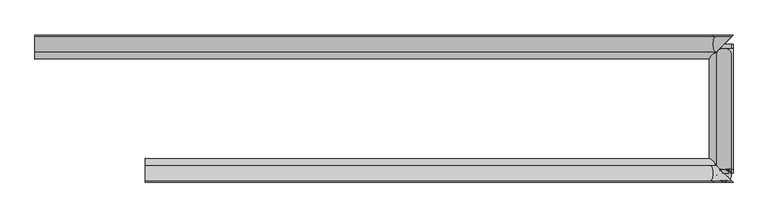
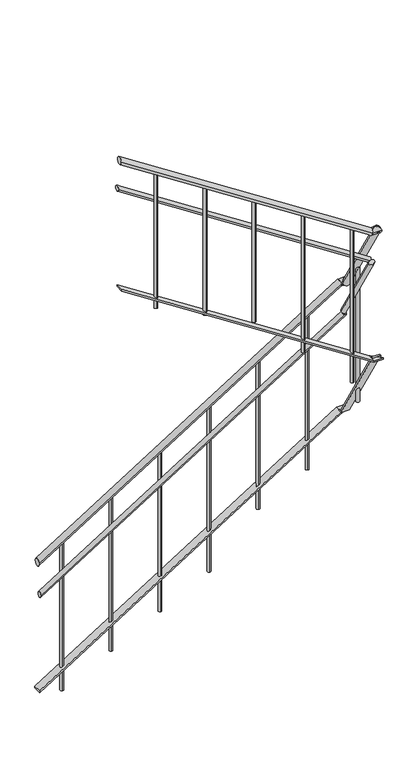
"""IFC4 building model written with IfcOpenShell, lengths in millimetres: railing geometry."""

from ifc_helpers import new_model, si_unit, frame, origin, place, context, project, spatial, circle_curve, ellipse_curve, faceted_brep, source, transform, mapped, element, save
from ifc_brep_helpers import plane_surface, cylinder_surface, advanced_brep


def railing_e3d735cd(model_context):
    return source(origin(), model_context, "Body", "SolidModel", [
        advanced_brep(
        [(2076.2766289, -259.2478389, 1026.3975735), (2076.2766289, -299.2478389, 1026.3975735), (3924.5597864, -259.2478389, 2184.6184824), (3924.5597864, -299.2478389, 2184.6184824), (3968.8242865, -259.2478389, 2184.6184824), (3928.8242865, -299.2478389, 2184.6184824)],
        [
            (0, 1, ellipse_curve(frame((2076.2766289, -279.2478389, 1026.3975735), z_axis=(-1.0, 0.0, 0.0), x_axis=(0.0, 0.0, -1.0)), 23.6024265, 20.0)),
            (1, 0, ellipse_curve(frame((2076.2766289, -279.2478389, 1026.3975735), z_axis=(-1.0, 0.0, 0.0), x_axis=(0.0, 0.0, -1.0)), 23.6024265, 20.0)),
            (0, 2),
            (2, 3, ellipse_curve(frame((3924.5597864, -279.2478389, 2184.6184824), z_axis=(-0.9610854551342009, 0.0, -0.2762512405935697), x_axis=(0.27625124059357054, 0.0, -0.9610854551342004)), 20.8098041, 20.0)),
            (3, 1),
            (3, 2, ellipse_curve(frame((3924.5597864, -279.2478389, 2184.6184824), z_axis=(-0.9610854551342009, 0.0, -0.2762512405935697), x_axis=(0.27625124059357054, 0.0, -0.9610854551342004)), 20.8098041, 20.0)),
            (4, 5, ellipse_curve(frame((3948.8242865, -279.2478389, 2184.6184824), z_axis=(0.7071067811865451, -0.7071067811865499, 0.0), x_axis=(-0.7071067811865498, -0.7071067811865451, 0.0)), 28.2842712, 20.0)),
            (5, 4, ellipse_curve(frame((3948.8242865, -279.2478389, 2184.6184824), z_axis=(0.7071067811865451, -0.7071067811865499, 0.0), x_axis=(-0.7071067811865498, -0.7071067811865451, 0.0)), 28.2842712, 20.0)),
            (2, 4),
            (5, 3),
        ],
        [
            plane_surface(frame((2076.2766289, -279.2478389, 1050.0), z_axis=(-1.0, 0.0, 0.0), x_axis=(0.0, 1.0, 0.0))),
            cylinder_surface(frame((2086.8966709, -279.2478389, 1033.0525899), z_axis=(-0.8473705041410273, 0.0, -0.531002098594517), x_axis=(0.0, -1.0, 0.0)), 20.0),
            plane_surface(frame((3948.8242865, -279.2478389, 2204.6184824), z_axis=(0.7071067811865451, -0.7071067811865499, 0.0), x_axis=(0.7071067811865499, 0.7071067811865451, 0.0))),
            cylinder_surface(frame((3918.8110522, -279.2478389, 2184.6184824), z_axis=(-1.0, 0.0, 0.0), x_axis=(0.0, -1.0, 0.0)), 20.0),
        ],
        [
            (0, [[1, 2]]),
            (1, [[-1, 3, 4, 5]]),
            (1, [[-2, -5, 6, -3]]),
            (2, [[7, 8]]),
            (3, [[-4, 9, -8, 10]]),
            (3, [[-6, -10, -7, -9]]),
        ],
    ),
        advanced_brep(
        [(3968.8242865, -279.2478389, 2184.6184824), (3928.8242865, -279.2478389, 2184.6184824), (3968.8242865, -290.5808302, 2184.6184824), (3928.8242865, -290.5808302, 2184.6184824)],
        [
            (0, 1, circle_curve(frame((3948.8242865, -279.2478389, 2184.6184824), z_axis=(0.0, 1.0, 0.0), x_axis=(-1.0, 0.0, 0.0)), 20.0)),
            (1, 0, circle_curve(frame((3948.8242865, -279.2478389, 2184.6184824), z_axis=(0.0, 1.0, 0.0), x_axis=(-1.0, 0.0, 0.0)), 20.0)),
            (2, 3, circle_curve(frame((3948.8242865, -290.5808302, 2184.6184824), z_axis=(0.0, -1.0, 0.0), x_axis=(-1.0, 0.0, 0.0)), 20.0)),
            (3, 2, circle_curve(frame((3948.8242865, -290.5808302, 2184.6184824), z_axis=(0.0, -1.0, 0.0), x_axis=(-1.0, 0.0, 0.0)), 20.0)),
            (0, 2),
            (3, 1),
        ],
        [
            plane_surface(frame((3908.8242865, -279.2478389, 2204.6184824), z_axis=(0.0, 1.0, 0.0), x_axis=(0.0, 0.0, -1.0))),
            plane_surface(frame((3908.8242865, -290.5808302, 2204.6184824), z_axis=(0.0, -1.0, 0.0), x_axis=(0.0, 0.0, -1.0))),
            cylinder_surface(frame((3948.8242865, -279.2478389, 2184.6184824), z_axis=(0.0, 1.0, 0.0), x_axis=(-1.0, 0.0, 0.0)), 20.0),
        ],
        [
            (0, [[1, 2]]),
            (1, [[3, 4]]),
            (2, [[-1, 5, -4, 6]]),
            (2, [[-2, -6, -3, -5]]),
        ],
    ),
        advanced_brep(
        [(3968.8242865, -307.711221, 2194.2961906), (3928.8242865, -307.711221, 2194.2961906), (3968.8242865, -635.735391, 2738.6697011), (3928.8242865, -635.735391, 2738.6697011)],
        [
            (0, 1, circle_curve(frame((3948.8242865, -307.711221, 2194.2961906), z_axis=(0.0, 0.5161145919368401, -0.8565195432620725), x_axis=(-1.0, 0.0, 0.0)), 20.0)),
            (1, 0, circle_curve(frame((3948.8242865, -307.711221, 2194.2961906), z_axis=(0.0, 0.5161145919368401, -0.8565195432620725), x_axis=(-1.0, 0.0, 0.0)), 20.0)),
            (2, 3, circle_curve(frame((3948.8242865, -635.735391, 2738.6697011), z_axis=(0.0, -0.5161145919368401, 0.8565195432620725), x_axis=(-1.0, 0.0, 0.0)), 20.0)),
            (3, 2, circle_curve(frame((3948.8242865, -635.735391, 2738.6697011), z_axis=(0.0, -0.5161145919368401, 0.8565195432620725), x_axis=(-1.0, 0.0, 0.0)), 20.0)),
            (0, 2),
            (3, 1),
        ],
        [
            plane_surface(frame((3948.8242865, -324.8416119, 2183.9738987), z_axis=(0.0, 0.5161145919368404, -0.8565195432620722), x_axis=(1.0, 0.0, 0.0))),
            plane_surface(frame((3948.8242865, -652.8657819, 2728.3474093), z_axis=(0.0, -0.5161145919368378, 0.8565195432620737), x_axis=(1.0, 0.0, 0.0))),
            cylinder_surface(frame((3948.8242865, -307.711221, 2194.2961906), z_axis=(0.0, 0.5161145919368401, -0.8565195432620725), x_axis=(-1.0, 0.0, 0.0)), 20.0),
        ],
        [
            (0, [[1, 2]]),
            (1, [[3, 4]]),
            (2, [[-1, 5, -4, 6]]),
            (2, [[-2, -6, -3, -5]]),
        ],
    ),
        advanced_brep(
        [(3968.8242865, -618.6050002, 2728.991993), (3928.8242865, -618.6050002, 2728.991993), (3968.8242865, -630.0478389, 2728.991993), (3928.8242865, -630.0478389, 2728.991993)],
        [
            (0, 1, circle_curve(frame((3948.8242865, -618.6050002, 2728.991993), z_axis=(0.0, 1.0, 0.0), x_axis=(-1.0, 0.0, 0.0)), 20.0)),
            (1, 0, circle_curve(frame((3948.8242865, -618.6050002, 2728.991993), z_axis=(0.0, 1.0, 0.0), x_axis=(-1.0, 0.0, 0.0)), 20.0)),
            (2, 3, circle_curve(frame((3948.8242865, -630.0478389, 2728.991993), z_axis=(0.0, -1.0, 0.0), x_axis=(-1.0, 0.0, 0.0)), 20.0)),
            (3, 2, circle_curve(frame((3948.8242865, -630.0478389, 2728.991993), z_axis=(0.0, -1.0, 0.0), x_axis=(-1.0, 0.0, 0.0)), 20.0)),
            (0, 2),
            (3, 1),
        ],
        [
            plane_surface(frame((3908.8242865, -618.6050002, 2748.991993), z_axis=(0.0, 1.0, 0.0), x_axis=(0.0, 0.0, -1.0))),
            plane_surface(frame((3908.8242865, -630.0478389, 2748.991993), z_axis=(0.0, -1.0, 0.0), x_axis=(0.0, 0.0, -1.0))),
            cylinder_surface(frame((3948.8242865, -618.6050002, 2728.991993), z_axis=(0.0, 1.0, 0.0), x_axis=(-1.0, 0.0, 0.0)), 20.0),
        ],
        [
            (0, [[1, 2]]),
            (1, [[3, 4]]),
            (2, [[-1, 5, -4, 6]]),
            (2, [[-2, -6, -3, -5]]),
        ],
    ),
        advanced_brep(
        [(3968.8242865, -650.0478389, 2728.991993), (3928.8242865, -610.0478389, 2728.991993), (3913.6287938, -650.0478389, 2728.991993), (3913.6287938, -610.0478389, 2728.991993), (2376.2766289, -650.0478389, 3726.1612255), (2376.2766289, -610.0478389, 3726.1612255)],
        [
            (0, 1, ellipse_curve(frame((3948.8242865, -630.0478389, 2728.991993), z_axis=(0.7071067811865492, 0.7071067811865458, 0.0), x_axis=(0.7071067811865458, -0.7071067811865492, 0.0)), 28.2842712, 20.0)),
            (1, 0, ellipse_curve(frame((3948.8242865, -630.0478389, 2728.991993), z_axis=(0.7071067811865492, 0.7071067811865458, 0.0), x_axis=(0.7071067811865458, -0.7071067811865492, 0.0)), 28.2842712, 20.0)),
            (0, 2),
            (2, 3, ellipse_curve(frame((3913.6287938, -630.0478389, 2728.991993), z_axis=(0.9588976229542695, 0.0, -0.28375226640971823), x_axis=(0.283752266409718, 0.0, 0.9588976229542696)), 20.8572839, 20.0)),
            (3, 1),
            (3, 2, ellipse_curve(frame((3913.6287938, -630.0478389, 2728.991993), z_axis=(0.9588976229542695, 0.0, -0.28375226640971823), x_axis=(0.283752266409718, 0.0, 0.9588976229542696)), 20.8572839, 20.0)),
            (4, 5, ellipse_curve(frame((2376.2766289, -630.0478389, 3726.1612255), z_axis=(-1.0, 0.0, 0.0), x_axis=(0.0, 0.0, -0.9999999999999999)), 23.8387745, 20.0)),
            (5, 4, ellipse_curve(frame((2376.2766289, -630.0478389, 3726.1612255), z_axis=(-1.0, 0.0, 0.0), x_axis=(0.0, 0.0, -0.9999999999999999)), 23.8387745, 20.0)),
            (2, 4),
            (5, 3),
        ],
        [
            plane_surface(frame((3948.8242865, -630.0478389, 2748.991993), z_axis=(0.7071067811865492, 0.7071067811865458, 0.0), x_axis=(0.7071067811865458, -0.7071067811865492, 0.0))),
            cylinder_surface(frame((3948.8242865, -630.0478389, 2728.991993), z_axis=(1.0, 0.0, 0.0), x_axis=(0.0, 1.0, 0.0)), 20.0),
            plane_surface(frame((2376.2766289, -630.0478389, 3750.0), z_axis=(-1.0, 0.0, 0.0), x_axis=(0.0, -1.0, 0.0))),
            cylinder_surface(frame((3908.6635204, -630.0478389, 2732.2126069), z_axis=(0.8389693026146966, 0.0, -0.5441787475363308), x_axis=(0.0, 1.0, 0.0)), 20.0),
        ],
        [
            (0, [[1, 2]]),
            (1, [[-1, 3, 4, 5]]),
            (1, [[-2, -5, 6, -3]]),
            (2, [[7, 8]]),
            (3, [[-4, 9, -8, 10]]),
            (3, [[-6, -10, -7, -9]]),
        ],
    ),
        advanced_brep(
        [(2076.2766289, -289.2478389, 832.2981802), (2076.2766289, -319.2478389, 832.2981802), (3942.6397055, -289.2478389, 2001.8488143), (3933.6212252, -319.2478389, 1996.1974116)],
        [
            (0, 1, ellipse_curve(frame((2076.2766289, -304.2478389, 832.2981802), z_axis=(-1.0, 0.0, 0.0), x_axis=(0.0, 0.0, -1.0)), 17.7018198, 15.0)),
            (1, 0, ellipse_curve(frame((2076.2766289, -304.2478389, 832.2981802), z_axis=(-1.0, 0.0, 0.0), x_axis=(0.0, 0.0, -1.0)), 17.7018198, 15.0)),
            (2, 3, ellipse_curve(frame((3938.1304654, -304.2478389, 1999.0231129), z_axis=(0.4967691954894028, -0.30257110598475423, 0.813431676439991), x_axis=(-0.8114950367519246, -0.4942636399369874, 0.31173588109685524)), 17.5874376, 15.0)),
            (3, 2, ellipse_curve(frame((3938.1304654, -304.2478389, 1999.0231129), z_axis=(0.4967691954894028, -0.30257110598475423, 0.813431676439991), x_axis=(-0.8114950367519246, -0.4942636399369874, 0.31173588109685524)), 17.5874376, 15.0)),
            (0, 2),
            (3, 1),
        ],
        [
            plane_surface(frame((2076.2766289, -304.2478389, 850.0), z_axis=(-1.0, 0.0, 0.0), x_axis=(0.0, 1.0, 0.0))),
            plane_surface(frame((3923.8242865, -304.2478389, 2007.7600101), z_axis=(0.4967691954894028, -0.30257110598475423, 0.813431676439991), x_axis=(0.8678826916195596, 0.1731893104330664, -0.46560186462138164))),
            cylinder_surface(frame((2084.2416604, -304.2478389, 837.2894424), z_axis=(-0.8473705041410273, 0.0, -0.531002098594517), x_axis=(0.0, -1.0, 0.0)), 15.0),
        ],
        [
            (0, [[1, 2]]),
            (1, [[3, 4]]),
            (2, [[-1, 5, -4, 6]]),
            (2, [[-2, -6, -3, -5]]),
        ],
    ),
        advanced_brep(
        [(3938.8242865, -314.0447776, 2014.4948347), (3908.8242865, -323.0632579, 2029.4614811), (3938.8242865, -623.8088674, 2528.5647735), (3908.8242865, -614.9485363, 2513.8605841)],
        [
            (0, 1, ellipse_curve(frame((3923.8242865, -318.5540177, 2021.9781579), z_axis=(-0.4967691954894028, 0.30257110598475423, -0.813431676439991), x_axis=(0.8114950367519248, 0.4942636399369873, -0.31173588109685485)), 17.5874376, 15.0)),
            (1, 0, ellipse_curve(frame((3923.8242865, -318.5540177, 2021.9781579), z_axis=(-0.4967691954894028, 0.30257110598475423, -0.813431676439991), x_axis=(0.8114950367519248, 0.4942636399369873, -0.31173588109685485)), 17.5874376, 15.0)),
            (2, 3, ellipse_curve(frame((3923.8242865, -619.3787018, 2521.2126788), z_axis=(-0.4899472399678326, -0.30140425762717943, 0.8179897160307775), x_axis=(-0.8118971247544675, 0.49946041164010946, -0.30226206513507625)), 17.5196126, 15.0)),
            (3, 2, ellipse_curve(frame((3923.8242865, -619.3787018, 2521.2126788), z_axis=(-0.4899472399678326, -0.30140425762717943, 0.8179897160307775), x_axis=(-0.8118971247544675, 0.49946041164010946, -0.30226206513507625)), 17.5196126, 15.0)),
            (0, 2),
            (3, 1),
        ],
        [
            plane_surface(frame((3923.8242865, -304.2478389, 2027.2996083), z_axis=(-0.4967691954894028, 0.30257110598475423, -0.813431676439991), x_axis=(0.8678826916195596, 0.1731893104330664, -0.46560186462138164))),
            plane_surface(frame((3923.8242865, -605.0478389, 2526.4931646), z_axis=(-0.4899472399678326, -0.30140425762717943, 0.8179897160307775), x_axis=(0.8717520874927133, -0.16939699515227657, 0.45973139547509323))),
            cylinder_surface(frame((3923.8242865, -317.095632, 2019.5578895), z_axis=(0.0, 0.5161145919368401, -0.8565195432620725), x_axis=(-1.0, 0.0, 0.0)), 15.0),
        ],
        [
            (0, [[1, 2]]),
            (1, [[3, 4]]),
            (2, [[-1, 5, -4, 6]]),
            (2, [[-2, -6, -3, -5]]),
        ],
    ),
        advanced_brep(
        [(3913.9235891, -620.0478389, 2534.7604742), (3905.0632581, -590.0478389, 2540.5075305), (2376.2766289, -620.0478389, 3532.1209191), (2376.2766289, -590.0478389, 3532.1209191)],
        [
            (0, 1, ellipse_curve(frame((3909.4934236, -605.0478389, 2537.6340024), z_axis=(0.4899472399678326, 0.30140425762717943, -0.8179897160307775), x_axis=(0.8118971247544671, -0.4994604116401098, 0.302262065135077)), 17.5196126, 15.0)),
            (1, 0, ellipse_curve(frame((3909.4934236, -605.0478389, 2537.6340024), z_axis=(0.4899472399678326, 0.30140425762717943, -0.8179897160307775), x_axis=(0.8118971247544671, -0.4994604116401098, 0.302262065135077)), 17.5196126, 15.0)),
            (2, 3, ellipse_curve(frame((2376.2766289, -605.0478389, 3532.1209191), z_axis=(-1.0, 0.0, 0.0), x_axis=(0.0, 0.0, -0.9999999999999999)), 17.8790809, 15.0)),
            (3, 2, ellipse_curve(frame((2376.2766289, -605.0478389, 3532.1209191), z_axis=(-1.0, 0.0, 0.0), x_axis=(0.0, 0.0, -0.9999999999999999)), 17.8790809, 15.0)),
            (0, 2),
            (3, 1),
        ],
        [
            plane_surface(frame((3923.8242865, -605.0478389, 2546.2176882), z_axis=(0.4899472399678326, 0.30140425762717943, -0.8179897160307775), x_axis=(0.8717520874927133, -0.16939699515227657, 0.45973139547509323))),
            plane_surface(frame((2376.2766289, -605.0478389, 3550.0), z_axis=(-1.0, 0.0, 0.0), x_axis=(0.0, -1.0, 0.0))),
            cylinder_surface(frame((3915.6616053, -605.0478389, 2533.6331487), z_axis=(0.8389693026146966, 0.0, -0.5441787475363308), x_axis=(0.0, 1.0, 0.0)), 15.0),
        ],
        [
            (0, [[1, 2]]),
            (1, [[3, 4]]),
            (2, [[-1, 5, -4, 6]]),
            (2, [[-2, -6, -3, -5]]),
        ],
    ),
        faceted_brep([(2076.2766289, -304.2478389, 210.0), (2076.2766289, -254.2478389, 210.0), (2076.2766289, -254.2478389, 198.1987868), (2076.2766289, -304.2478389, 198.1987868), (3918.8110522, -304.2478389, 1364.6184824), (3918.8110522, -254.2478389, 1364.6184824), (3921.6854193, -254.2478389, 1354.6184824), (3921.6854193, -304.2478389, 1354.6184824), (3923.8242865, -304.2478389, 1364.6184824), (3923.8242865, -304.2478389, 1354.6184824), (3973.8242865, -254.2478389, 1354.6184824), (3973.8242865, -254.2478389, 1364.6184824)], [[[0, 1, 2, 3]], [[1, 0, 4, 5]], [[2, 1, 5, 6]], [[3, 2, 6, 7]], [[0, 3, 7, 4]], [[8, 9, 10, 11]], [[5, 4, 8, 11]], [[6, 5, 11, 10]], [[7, 6, 10, 9]], [[4, 7, 9, 8]]]),
        faceted_brep([(3923.8242865, -279.2478389, 1364.6184824), (3973.8242865, -279.2478389, 1364.6184824), (3973.8242865, -279.2478389, 1354.6184824), (3923.8242865, -279.2478389, 1354.6184824), (3923.8242865, -290.5808302, 1364.6184824), (3973.8242865, -290.5808302, 1364.6184824), (3973.8242865, -296.2302682, 1354.6184824), (3923.8242865, -296.2302682, 1354.6184824), (3923.8242865, -618.6050002, 1908.991993), (3973.8242865, -618.6050002, 1908.991993), (3973.8242865, -624.2544382, 1898.991993), (3923.8242865, -624.2544382, 1898.991993), (3923.8242865, -630.0478389, 1908.991993), (3923.8242865, -630.0478389, 1898.991993), (3973.8242865, -630.0478389, 1898.991993), (3973.8242865, -630.0478389, 1908.991993)], [[[0, 1, 2, 3]], [[1, 0, 4, 5]], [[2, 1, 5, 6]], [[3, 2, 6, 7]], [[0, 3, 7, 4]], [[5, 4, 8, 9]], [[6, 5, 9, 10]], [[7, 6, 10, 11]], [[4, 7, 11, 8]], [[12, 13, 14, 15]], [[9, 8, 12, 15]], [[10, 9, 15, 14]], [[11, 10, 14, 13]], [[8, 11, 13, 12]]]),
        faceted_brep([(3923.8242865, -605.0478389, 1908.991993), (3973.8242865, -655.0478389, 1908.991993), (3973.8242865, -655.0478389, 1898.991993), (3923.8242865, -605.0478389, 1898.991993), (3919.5470954, -605.0478389, 1908.991993), (3919.5470954, -655.0478389, 1908.991993), (3916.5879446, -655.0478389, 1898.991993), (3916.5879446, -605.0478389, 1898.991993), (2376.2766289, -605.0478389, 2910.0), (2376.2766289, -605.0478389, 2898.0806128), (2376.2766289, -655.0478389, 2898.0806128), (2376.2766289, -655.0478389, 2910.0)], [[[0, 1, 2, 3]], [[1, 0, 4, 5]], [[2, 1, 5, 6]], [[3, 2, 6, 7]], [[0, 3, 7, 4]], [[8, 9, 10, 11]], [[5, 4, 8, 11]], [[6, 5, 11, 10]], [[7, 6, 10, 9]], [[4, 7, 9, 8]]]),
        advanced_brep(
        [(2598.8242865, -620.0478389, 3565.6494198), (2598.8242865, -620.0478389, 2700.0), (2598.8242865, -640.0478389, 2700.0), (2598.8242865, -640.0478389, 3565.6494198)],
        [
            (0, 1),
            (1, 2, circle_curve(frame((2598.8242865, -630.0478389, 2700.0), z_axis=(0.0, 0.0, 1.0), x_axis=(0.0, -1.0, 0.0)), 10.0)),
            (2, 3),
            (3, 0, ellipse_curve(frame((2598.8242865, -630.0478389, 3565.6494198), z_axis=(-0.5441787475363307, 0.0, -0.8389693026146968), x_axis=(-0.8389693026146968, 0.0, 0.5441787475363301)), 11.9193872, 10.0)),
            (0, 3, ellipse_curve(frame((2598.8242865, -630.0478389, 3565.6494198), z_axis=(-0.5441787475363307, 0.0, -0.8389693026146968), x_axis=(-0.8389693026146968, 0.0, 0.5441787475363301)), 11.9193872, 10.0)),
            (2, 1, circle_curve(frame((2598.8242865, -630.0478389, 2700.0), z_axis=(0.0, 0.0, 1.0), x_axis=(0.0, -1.0, 0.0)), 10.0)),
        ],
        [
            cylinder_surface(frame((2598.8242865, -630.0478389, 2600.0), z_axis=(0.0, 0.0, 1.0), x_axis=(0.0, -1.0, 0.0)), 10.0),
            plane_surface(frame((2578.8242865, -650.0478389, 3578.6219742), z_axis=(0.5441787475363307, 0.0, 0.8389693026146968), x_axis=(0.0, 1.0, 0.0))),
            plane_surface(frame((2618.8242865, -650.0478389, 2700.0), z_axis=(0.0, 0.0, -1.0), x_axis=(0.0, 1.0, 0.0))),
        ],
        [
            (0, [[1, 2, 3, 4]]),
            (0, [[-1, 5, -3, 6]]),
            (1, [[-4, -5]]),
            (2, [[-2, -6]]),
        ],
    ),
        advanced_brep(
        [(2898.8242865, -620.0478389, 3371.0611032), (2898.8242865, -620.0478389, 2550.0), (2898.8242865, -640.0478389, 2550.0), (2898.8242865, -640.0478389, 3371.0611032)],
        [
            (0, 1),
            (1, 2, circle_curve(frame((2898.8242865, -630.0478389, 2550.0), z_axis=(0.0, 0.0, 1.0), x_axis=(0.0, -1.0, 0.0)), 10.0)),
            (2, 3),
            (3, 0, ellipse_curve(frame((2898.8242865, -630.0478389, 3371.0611032), z_axis=(-0.5441787475363307, 0.0, -0.8389693026146968), x_axis=(-0.8389693026146968, 0.0, 0.5441787475363301)), 11.9193872, 10.0)),
            (0, 3, ellipse_curve(frame((2898.8242865, -630.0478389, 3371.0611032), z_axis=(-0.5441787475363307, 0.0, -0.8389693026146968), x_axis=(-0.8389693026146968, 0.0, 0.5441787475363301)), 11.9193872, 10.0)),
            (2, 1, circle_curve(frame((2898.8242865, -630.0478389, 2550.0), z_axis=(0.0, 0.0, 1.0), x_axis=(0.0, -1.0, 0.0)), 10.0)),
        ],
        [
            cylinder_surface(frame((2898.8242865, -630.0478389, 2450.0), z_axis=(0.0, 0.0, 1.0), x_axis=(0.0, -1.0, 0.0)), 10.0),
            plane_surface(frame((2878.8242865, -650.0478389, 3384.0336576), z_axis=(0.5441787475363307, 0.0, 0.8389693026146968), x_axis=(0.0, 1.0, 0.0))),
            plane_surface(frame((2918.8242865, -650.0478389, 2550.0), z_axis=(0.0, 0.0, -1.0), x_axis=(0.0, 1.0, 0.0))),
        ],
        [
            (0, [[1, 2, 3, 4]]),
            (0, [[-1, 5, -3, 6]]),
            (1, [[-4, -5]]),
            (2, [[-2, -6]]),
        ],
    ),
        advanced_brep(
        [(3198.8242865, -620.0478389, 3176.4727866), (3198.8242865, -620.0478389, 2400.0), (3198.8242865, -640.0478389, 2400.0), (3198.8242865, -640.0478389, 3176.4727866)],
        [
            (0, 1),
            (1, 2, circle_curve(frame((3198.8242865, -630.0478389, 2400.0), z_axis=(0.0, 0.0, 1.0), x_axis=(0.0, -1.0, 0.0)), 10.0)),
            (2, 3),
            (3, 0, ellipse_curve(frame((3198.8242865, -630.0478389, 3176.4727866), z_axis=(-0.5441787475363307, 0.0, -0.8389693026146968), x_axis=(-0.8389693026146968, 0.0, 0.5441787475363301)), 11.9193872, 10.0)),
            (0, 3, ellipse_curve(frame((3198.8242865, -630.0478389, 3176.4727866), z_axis=(-0.5441787475363307, 0.0, -0.8389693026146968), x_axis=(-0.8389693026146968, 0.0, 0.5441787475363301)), 11.9193872, 10.0)),
            (2, 1, circle_curve(frame((3198.8242865, -630.0478389, 2400.0), z_axis=(0.0, 0.0, 1.0), x_axis=(0.0, -1.0, 0.0)), 10.0)),
        ],
        [
            cylinder_surface(frame((3198.8242865, -630.0478389, 2300.0), z_axis=(0.0, 0.0, 1.0), x_axis=(0.0, -1.0, 0.0)), 10.0),
            plane_surface(frame((3178.8242865, -650.0478389, 3189.4453411), z_axis=(0.5441787475363307, 0.0, 0.8389693026146968), x_axis=(0.0, 1.0, 0.0))),
            plane_surface(frame((3218.8242865, -650.0478389, 2400.0), z_axis=(0.0, 0.0, -1.0), x_axis=(0.0, 1.0, 0.0))),
        ],
        [
            (0, [[1, 2, 3, 4]]),
            (0, [[-1, 5, -3, 6]]),
            (1, [[-4, -5]]),
            (2, [[-2, -6]]),
        ],
    ),
        advanced_brep(
        [(3498.8242865, -620.0478389, 2981.88447), (3498.8242865, -620.0478389, 2100.0), (3498.8242865, -640.0478389, 2100.0), (3498.8242865, -640.0478389, 2981.88447)],
        [
            (0, 1),
            (1, 2, circle_curve(frame((3498.8242865, -630.0478389, 2100.0), z_axis=(0.0, 0.0, 1.0), x_axis=(0.0, -1.0, 0.0)), 10.0)),
            (2, 3),
            (3, 0, ellipse_curve(frame((3498.8242865, -630.0478389, 2981.88447), z_axis=(-0.5441787475363307, 0.0, -0.8389693026146968), x_axis=(-0.8389693026146968, 0.0, 0.5441787475363301)), 11.9193872, 10.0)),
            (0, 3, ellipse_curve(frame((3498.8242865, -630.0478389, 2981.88447), z_axis=(-0.5441787475363307, 0.0, -0.8389693026146968), x_axis=(-0.8389693026146968, 0.0, 0.5441787475363301)), 11.9193872, 10.0)),
            (2, 1, circle_curve(frame((3498.8242865, -630.0478389, 2100.0), z_axis=(0.0, 0.0, 1.0), x_axis=(0.0, -1.0, 0.0)), 10.0)),
        ],
        [
            cylinder_surface(frame((3498.8242865, -630.0478389, 2000.0), z_axis=(0.0, 0.0, 1.0), x_axis=(0.0, -1.0, 0.0)), 10.0),
            plane_surface(frame((3478.8242865, -650.0478389, 2994.8570245), z_axis=(0.5441787475363307, 0.0, 0.8389693026146968), x_axis=(0.0, 1.0, 0.0))),
            plane_surface(frame((3518.8242865, -650.0478389, 2100.0), z_axis=(0.0, 0.0, -1.0), x_axis=(0.0, 1.0, 0.0))),
        ],
        [
            (0, [[1, 2, 3, 4]]),
            (0, [[-1, 5, -3, 6]]),
            (1, [[-4, -5]]),
            (2, [[-2, -6]]),
        ],
    ),
        advanced_brep(
        [(3798.8242865, -620.0478389, 2787.2961535), (3798.8242865, -620.0478389, 1800.0), (3798.8242865, -640.0478389, 1800.0), (3798.8242865, -640.0478389, 2787.2961535)],
        [
            (0, 1),
            (1, 2, circle_curve(frame((3798.8242865, -630.0478389, 1800.0), z_axis=(0.0, 0.0, 1.0), x_axis=(0.0, -1.0, 0.0)), 10.0)),
            (2, 3),
            (3, 0, ellipse_curve(frame((3798.8242865, -630.0478389, 2787.2961535), z_axis=(-0.5441787475363307, 0.0, -0.8389693026146968), x_axis=(-0.8389693026146968, 0.0, 0.5441787475363301)), 11.9193872, 10.0)),
            (0, 3, ellipse_curve(frame((3798.8242865, -630.0478389, 2787.2961535), z_axis=(-0.5441787475363307, 0.0, -0.8389693026146968), x_axis=(-0.8389693026146968, 0.0, 0.5441787475363301)), 11.9193872, 10.0)),
            (2, 1, circle_curve(frame((3798.8242865, -630.0478389, 1800.0), z_axis=(0.0, 0.0, 1.0), x_axis=(0.0, -1.0, 0.0)), 10.0)),
        ],
        [
            cylinder_surface(frame((3798.8242865, -630.0478389, 1700.0), z_axis=(0.0, 0.0, 1.0), x_axis=(0.0, -1.0, 0.0)), 10.0),
            plane_surface(frame((3778.8242865, -650.0478389, 2800.2687079), z_axis=(0.5441787475363307, 0.0, 0.8389693026146968), x_axis=(0.0, 1.0, 0.0))),
            plane_surface(frame((3818.8242865, -650.0478389, 1800.0), z_axis=(0.0, 0.0, -1.0), x_axis=(0.0, 1.0, 0.0))),
        ],
        [
            (0, [[1, 2, 3, 4]]),
            (0, [[-1, 5, -3, 6]]),
            (1, [[-4, -5]]),
            (2, [[-2, -6]]),
        ],
    ),
        advanced_brep(
        [(3938.8242865, -429.2478389, 2394.7437391), (3938.8242865, -429.2478389, 1500.0), (3958.8242865, -429.2478389, 1500.0), (3958.8242865, -429.2478389, 2394.7437391)],
        [
            (0, 1),
            (1, 2, circle_curve(frame((3948.8242865, -429.2478389, 1500.0), z_axis=(0.0, 0.0, 1.0), x_axis=(1.0, 0.0, 0.0)), 10.0)),
            (2, 3),
            (3, 0, ellipse_curve(frame((3948.8242865, -429.2478389, 2394.7437391), z_axis=(0.0, -0.8565195432620722, -0.5161145919368403), x_axis=(0.0, -0.5161145919368403, 0.8565195432620722)), 19.3755421, 10.0)),
            (0, 3, ellipse_curve(frame((3948.8242865, -429.2478389, 2394.7437391), z_axis=(0.0, -0.8565195432620722, -0.5161145919368403), x_axis=(0.0, -0.5161145919368403, 0.8565195432620722)), 19.3755421, 10.0)),
            (2, 1, circle_curve(frame((3948.8242865, -429.2478389, 1500.0), z_axis=(0.0, 0.0, 1.0), x_axis=(1.0, 0.0, 0.0)), 10.0)),
        ],
        [
            cylinder_surface(frame((3948.8242865, -429.2478389, 1400.0), z_axis=(0.0, 0.0, 1.0), x_axis=(1.0, 0.0, 0.0)), 10.0),
            plane_surface(frame((3968.8242865, -449.2478389, 2427.9348), z_axis=(0.0, 0.8565195432620722, 0.5161145919368403), x_axis=(-1.0, 0.0, 0.0))),
            plane_surface(frame((3968.8242865, -409.2478389, 1500.0), z_axis=(0.0, 0.0, -1.0), x_axis=(-1.0, 0.0, 0.0))),
        ],
        [
            (0, [[1, 2, 3, 4]]),
            (0, [[-1, 5, -3, 6]]),
            (1, [[-4, -5]]),
            (2, [[-2, -6]]),
        ],
    ),
        advanced_brep(
        [(3726.2766289, -289.2478389, 2043.9673831), (3726.2766289, -289.2478389, 1050.0), (3726.2766289, -269.2478389, 1050.0), (3726.2766289, -269.2478389, 2043.9673831)],
        [
            (0, 1),
            (1, 2, circle_curve(frame((3726.2766289, -279.2478389, 1050.0), z_axis=(0.0, 0.0, 1.0), x_axis=(0.0, 1.0, 0.0)), 10.0)),
            (2, 3),
            (3, 0, ellipse_curve(frame((3726.2766289, -279.2478389, 2043.9673831), z_axis=(0.5310020985945156, 0.0, -0.8473705041410283), x_axis=(0.8473705041410284, 0.0, 0.5310020985945153)), 11.8012132, 10.0)),
            (0, 3, ellipse_curve(frame((3726.2766289, -279.2478389, 2043.9673831), z_axis=(0.5310020985945156, 0.0, -0.8473705041410283), x_axis=(0.8473705041410284, 0.0, 0.5310020985945153)), 11.8012132, 10.0)),
            (2, 1, circle_curve(frame((3726.2766289, -279.2478389, 1050.0), z_axis=(0.0, 0.0, 1.0), x_axis=(0.0, 1.0, 0.0)), 10.0)),
        ],
        [
            cylinder_surface(frame((3726.2766289, -279.2478389, 950.0), z_axis=(0.0, 0.0, 1.0), x_axis=(0.0, 1.0, 0.0)), 10.0),
            plane_surface(frame((3746.2766289, -259.2478389, 2056.5003211), z_axis=(-0.5310020985945156, 0.0, 0.8473705041410283), x_axis=(0.0, -1.0, 0.0))),
            plane_surface(frame((3706.2766289, -259.2478389, 1050.0), z_axis=(0.0, 0.0, -1.0), x_axis=(0.0, -1.0, 0.0))),
        ],
        [
            (0, [[1, 2, 3, 4]]),
            (0, [[-1, 5, -3, 6]]),
            (1, [[-4, -5]]),
            (2, [[-2, -6]]),
        ],
    ),
        advanced_brep(
        [(3426.2766289, -289.2478389, 1855.9733134), (3426.2766289, -289.2478389, 900.0), (3426.2766289, -269.2478389, 900.0), (3426.2766289, -269.2478389, 1855.9733134)],
        [
            (0, 1),
            (1, 2, circle_curve(frame((3426.2766289, -279.2478389, 900.0), z_axis=(0.0, 0.0, 1.0), x_axis=(0.0, 1.0, 0.0)), 10.0)),
            (2, 3),
            (3, 0, ellipse_curve(frame((3426.2766289, -279.2478389, 1855.9733134), z_axis=(0.5310020985945156, 0.0, -0.8473705041410283), x_axis=(0.8473705041410284, 0.0, 0.5310020985945153)), 11.8012132, 10.0)),
            (0, 3, ellipse_curve(frame((3426.2766289, -279.2478389, 1855.9733134), z_axis=(0.5310020985945156, 0.0, -0.8473705041410283), x_axis=(0.8473705041410284, 0.0, 0.5310020985945153)), 11.8012132, 10.0)),
            (2, 1, circle_curve(frame((3426.2766289, -279.2478389, 900.0), z_axis=(0.0, 0.0, 1.0), x_axis=(0.0, 1.0, 0.0)), 10.0)),
        ],
        [
            cylinder_surface(frame((3426.2766289, -279.2478389, 800.0), z_axis=(0.0, 0.0, 1.0), x_axis=(0.0, 1.0, 0.0)), 10.0),
            plane_surface(frame((3446.2766289, -259.2478389, 1868.5062514), z_axis=(-0.5310020985945156, 0.0, 0.8473705041410283), x_axis=(0.0, -1.0, 0.0))),
            plane_surface(frame((3406.2766289, -259.2478389, 900.0), z_axis=(0.0, 0.0, -1.0), x_axis=(0.0, -1.0, 0.0))),
        ],
        [
            (0, [[1, 2, 3, 4]]),
            (0, [[-1, 5, -3, 6]]),
            (1, [[-4, -5]]),
            (2, [[-2, -6]]),
        ],
    ),
        advanced_brep(
        [(3126.2766289, -289.2478389, 1667.9792438), (3126.2766289, -289.2478389, 600.0), (3126.2766289, -269.2478389, 600.0), (3126.2766289, -269.2478389, 1667.9792438)],
        [
            (0, 1),
            (1, 2, circle_curve(frame((3126.2766289, -279.2478389, 600.0), z_axis=(0.0, 0.0, 1.0), x_axis=(0.0, 1.0, 0.0)), 10.0)),
            (2, 3),
            (3, 0, ellipse_curve(frame((3126.2766289, -279.2478389, 1667.9792438), z_axis=(0.5310020985945156, 0.0, -0.8473705041410283), x_axis=(0.8473705041410284, 0.0, 0.5310020985945153)), 11.8012132, 10.0)),
            (0, 3, ellipse_curve(frame((3126.2766289, -279.2478389, 1667.9792438), z_axis=(0.5310020985945156, 0.0, -0.8473705041410283), x_axis=(0.8473705041410284, 0.0, 0.5310020985945153)), 11.8012132, 10.0)),
            (2, 1, circle_curve(frame((3126.2766289, -279.2478389, 600.0), z_axis=(0.0, 0.0, 1.0), x_axis=(0.0, 1.0, 0.0)), 10.0)),
        ],
        [
            cylinder_surface(frame((3126.2766289, -279.2478389, 500.0), z_axis=(0.0, 0.0, 1.0), x_axis=(0.0, 1.0, 0.0)), 10.0),
            plane_surface(frame((3146.2766289, -259.2478389, 1680.5121818), z_axis=(-0.5310020985945156, 0.0, 0.8473705041410283), x_axis=(0.0, -1.0, 0.0))),
            plane_surface(frame((3106.2766289, -259.2478389, 600.0), z_axis=(0.0, 0.0, -1.0), x_axis=(0.0, -1.0, 0.0))),
        ],
        [
            (0, [[1, 2, 3, 4]]),
            (0, [[-1, 5, -3, 6]]),
            (1, [[-4, -5]]),
            (2, [[-2, -6]]),
        ],
    ),
        advanced_brep(
        [(2826.2766289, -289.2478389, 1479.9851741), (2826.2766289, -289.2478389, 450.0), (2826.2766289, -269.2478389, 450.0), (2826.2766289, -269.2478389, 1479.9851741)],
        [
            (0, 1),
            (1, 2, circle_curve(frame((2826.2766289, -279.2478389, 450.0), z_axis=(0.0, 0.0, 1.0), x_axis=(0.0, 1.0, 0.0)), 10.0)),
            (2, 3),
            (3, 0, ellipse_curve(frame((2826.2766289, -279.2478389, 1479.9851741), z_axis=(0.5310020985945177, 0.0, -0.847370504141027), x_axis=(0.847370504141027, 0.0, 0.5310020985945175)), 11.8012132, 10.0)),
            (0, 3, ellipse_curve(frame((2826.2766289, -279.2478389, 1479.9851741), z_axis=(0.5310020985945177, 0.0, -0.847370504141027), x_axis=(0.847370504141027, 0.0, 0.5310020985945175)), 11.8012132, 10.0)),
            (2, 1, circle_curve(frame((2826.2766289, -279.2478389, 450.0), z_axis=(0.0, 0.0, 1.0), x_axis=(0.0, 1.0, 0.0)), 10.0)),
        ],
        [
            cylinder_surface(frame((2826.2766289, -279.2478389, 350.0), z_axis=(0.0, 0.0, 1.0), x_axis=(0.0, 1.0, 0.0)), 10.0),
            plane_surface(frame((2846.2766289, -259.2478389, 1492.5181121), z_axis=(-0.5310020985945177, 0.0, 0.847370504141027), x_axis=(0.0, -1.0, 0.0))),
            plane_surface(frame((2806.2766289, -259.2478389, 450.0), z_axis=(0.0, 0.0, -1.0), x_axis=(0.0, -1.0, 0.0))),
        ],
        [
            (0, [[1, 2, 3, 4]]),
            (0, [[-1, 5, -3, 6]]),
            (1, [[-4, -5]]),
            (2, [[-2, -6]]),
        ],
    ),
        advanced_brep(
        [(2526.2766289, -289.2478389, 1291.9911045), (2526.2766289, -289.2478389, 300.0), (2526.2766289, -269.2478389, 300.0), (2526.2766289, -269.2478389, 1291.9911045)],
        [
            (0, 1),
            (1, 2, circle_curve(frame((2526.2766289, -279.2478389, 300.0), z_axis=(0.0, 0.0, 1.0), x_axis=(0.0, 1.0, 0.0)), 10.0)),
            (2, 3),
            (3, 0, ellipse_curve(frame((2526.2766289, -279.2478389, 1291.9911045), z_axis=(0.5310020985945156, 0.0, -0.8473705041410283), x_axis=(0.8473705041410284, 0.0, 0.5310020985945153)), 11.8012132, 10.0)),
            (0, 3, ellipse_curve(frame((2526.2766289, -279.2478389, 1291.9911045), z_axis=(0.5310020985945156, 0.0, -0.8473705041410283), x_axis=(0.8473705041410284, 0.0, 0.5310020985945153)), 11.8012132, 10.0)),
            (2, 1, circle_curve(frame((2526.2766289, -279.2478389, 300.0), z_axis=(0.0, 0.0, 1.0), x_axis=(0.0, 1.0, 0.0)), 10.0)),
        ],
        [
            cylinder_surface(frame((2526.2766289, -279.2478389, 200.0), z_axis=(0.0, 0.0, 1.0), x_axis=(0.0, 1.0, 0.0)), 10.0),
            plane_surface(frame((2546.2766289, -259.2478389, 1304.5240425), z_axis=(-0.5310020985945156, 0.0, 0.8473705041410283), x_axis=(0.0, -1.0, 0.0))),
            plane_surface(frame((2506.2766289, -259.2478389, 300.0), z_axis=(0.0, 0.0, -1.0), x_axis=(0.0, -1.0, 0.0))),
        ],
        [
            (0, [[1, 2, 3, 4]]),
            (0, [[-1, 5, -3, 6]]),
            (1, [[-4, -5]]),
            (2, [[-2, -6]]),
        ],
    ),
        advanced_brep(
        [(2226.2766289, -289.2478389, 1103.9970348), (2226.2766289, -289.2478389, 150.0), (2226.2766289, -269.2478389, 150.0), (2226.2766289, -269.2478389, 1103.9970348)],
        [
            (0, 1),
            (1, 2, circle_curve(frame((2226.2766289, -279.2478389, 150.0), z_axis=(0.0, 0.0, 1.0), x_axis=(0.0, 1.0, 0.0)), 10.0)),
            (2, 3),
            (3, 0, ellipse_curve(frame((2226.2766289, -279.2478389, 1103.9970348), z_axis=(0.5310020985945156, 0.0, -0.8473705041410283), x_axis=(0.8473705041410284, 0.0, 0.5310020985945153)), 11.8012132, 10.0)),
            (0, 3, ellipse_curve(frame((2226.2766289, -279.2478389, 1103.9970348), z_axis=(0.5310020985945156, 0.0, -0.8473705041410283), x_axis=(0.8473705041410284, 0.0, 0.5310020985945153)), 11.8012132, 10.0)),
            (2, 1, circle_curve(frame((2226.2766289, -279.2478389, 150.0), z_axis=(0.0, 0.0, 1.0), x_axis=(0.0, 1.0, 0.0)), 10.0)),
        ],
        [
            cylinder_surface(frame((2226.2766289, -279.2478389, 50.0), z_axis=(0.0, 0.0, 1.0), x_axis=(0.0, 1.0, 0.0)), 10.0),
            plane_surface(frame((2246.2766289, -259.2478389, 1116.5299728), z_axis=(-0.5310020985945156, 0.0, 0.8473705041410283), x_axis=(0.0, -1.0, 0.0))),
            plane_surface(frame((2206.2766289, -259.2478389, 150.0), z_axis=(0.0, 0.0, -1.0), x_axis=(0.0, -1.0, 0.0))),
        ],
        [
            (0, [[1, 2, 3, 4]]),
            (0, [[-1, 5, -3, 6]]),
            (1, [[-4, -5]]),
            (2, [[-2, -6]]),
        ],
    ),
    ])


if __name__ == "__main__":
    model = new_model("IFC4")
    model_context = context("Model", 3, world=origin())
    ifc_project = project(units=[si_unit("LENGTHUNIT", "METRE", prefix="MILLI")], contexts=[model_context])
    site = spatial("IfcSite", under=ifc_project)
    building = spatial("IfcBuilding", under=site)
    placement = place(None, origin())
    railing_shape = railing_e3d735cd(model_context)
    element("IfcRailing", 1, at=placement, inside=building, context=model_context, shape_type="MappedRepresentation", body=[
        mapped(railing_shape, transform((0.0, 0.0, 0.0), x_axis=(1.0, 0.0, 0.0), y_axis=(0.0, 1.0, 0.0), z_axis=(0.0, 0.0, 1.0))),
    ])
    save(model, "model.ifc")
